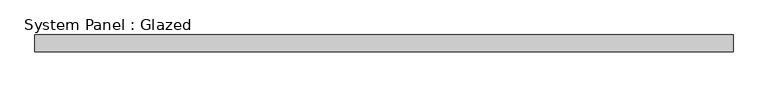
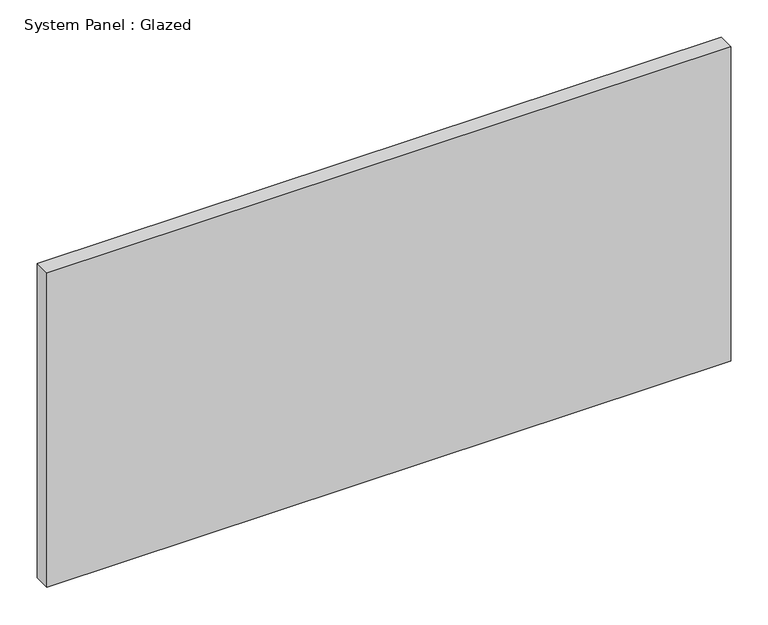
"""IFC4 building model written with IfcOpenShell, lengths in millimetres: plate geometry, System Panel : Glazed."""

from ifc_helpers import new_model, si_unit, origin, origin_with_axes, place, context, project, spatial, polyline, outline, extrude, source, transform, mapped, element, save


def system_panel_glazed_019869c3(model_context):
    return source(origin(), model_context, "Body", "SweptSolid", [
        extrude(outline(polyline([(528.6375, 19.05), (-528.6375, 19.05), (-528.6375, 44.45), (528.6375, 44.45), (528.6375, 19.05)])), origin_with_axes(), (0.0, 0.0, 1.0), 514.35),
    ])


if __name__ == "__main__":
    model = new_model("IFC4")
    model_context = context("Model", 3, world=origin())
    ifc_project = project(units=[si_unit("LENGTHUNIT", "METRE", prefix="MILLI")], contexts=[model_context])
    site = spatial("IfcSite", under=ifc_project)
    building = spatial("IfcBuilding", under=site)
    placement = place(None, origin())
    system_panel_glazed_shape = system_panel_glazed_019869c3(model_context)
    element("IfcPlate", 1, ObjectType="System Panel : Glazed", at=placement, inside=building, context=model_context, shape_type="MappedRepresentation", body=[
        mapped(system_panel_glazed_shape, transform((0.0, 0.0, 0.0), x_axis=(1.0, 0.0, 0.0), y_axis=(0.0, 1.0, 0.0), z_axis=(0.0, 0.0, 1.0))),
    ])
    save(model, "model.ifc")
